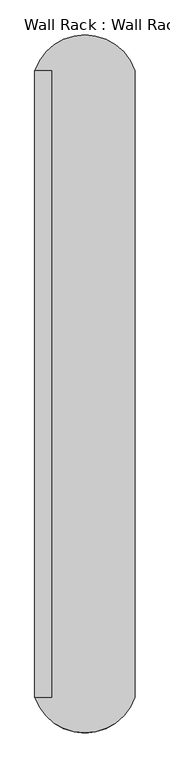
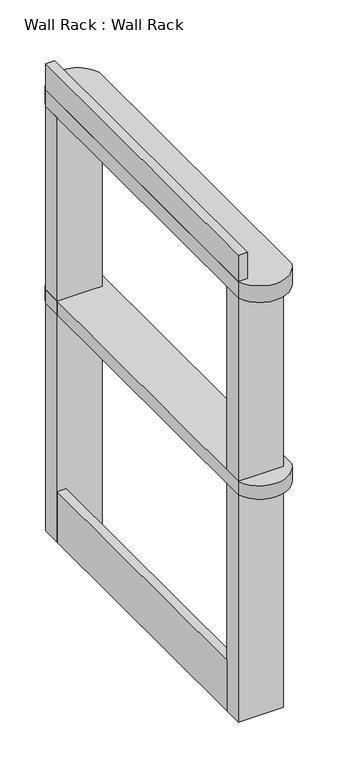
"""IFC4 building model written with IfcOpenShell, lengths in millimetres: furniture geometry, Wall Rack : Wall Rack."""

from ifc_helpers import new_model, si_unit, point, frame, frame_2d, origin, place, context, project, spatial, polyline, circle_curve, trimmed, segment, composite_curve, outline, extrude, source, transform, mapped, element, save


def wall_rack_wall_rack_29b57f93(model_context):
    return source(origin(), model_context, "Body", "SweptSolid", [
        extrude(outline(polyline([(-3665.1687143, 3477.8224414), (-3665.1687143, 2359.8062731), (-3698.9153689, 2359.8062731), (-3698.9153689, 3477.8224414), (-3665.1687143, 3477.8224414)])), frame((0.0, 0.0, -0.2943472), z_axis=(0.0, 0.0, 1.0), x_axis=(1.0, 0.0, 0.0)), (0.0, 0.0, 1.0), 202.7920546),
        extrude(outline(polyline([(-3665.1687143, 3553.6062731), (-3665.1687143, 2284.0224414), (-3698.9153689, 2284.0224414), (-3698.9153689, 3553.6062731), (-3665.1687143, 3553.6062731)])), frame((0.0, 0.0, 1770.7747661), z_axis=(0.0, 0.0, 1.0), x_axis=(1.0, 0.0, 0.0)), (0.0, 0.0, 1.0), 106.2252339),
        extrude(outline(composite_curve([segment(trimmed(circle_curve(frame_2d((-3597.3153689, 3518.2546837)), 107.5746014), [point((-3698.9153689, 3553.6062731))], [point((-3495.7153689, 3553.6062731))], False, "CARTESIAN"), True, "CONTINUOUS"), segment(polyline([(-3495.7153689, 3553.6062731), (-3495.7153689, 2284.0224414)]), True, "CONTINUOUS"), segment(trimmed(circle_curve(frame_2d((-3597.3153689, 2319.3740307)), 107.5746014), [point((-3495.7153689, 2284.0224414))], [point((-3698.9153689, 2284.0224414))], False, "CARTESIAN"), True, "CONTINUOUS"), segment(polyline([(-3698.9153689, 2284.0224414), (-3698.9153689, 3553.6062731)]), True, "CONTINUOUS")], self_intersect=False)), frame((0.0, 0.0, 914.1056528), z_axis=(0.0, 0.0, 1.0), x_axis=(1.0, 0.0, 0.0)), (0.0, 0.0, 1.0), 53.6402918),
        extrude(outline(composite_curve([segment(trimmed(circle_curve(frame_2d((-3597.3153689, 3518.2546837)), 107.5746014), [point((-3698.9153689, 3553.6062731))], [point((-3495.7153689, 3553.6062731))], False, "CARTESIAN"), True, "CONTINUOUS"), segment(polyline([(-3495.7153689, 3553.6062731), (-3495.7153689, 2284.0224414)]), True, "CONTINUOUS"), segment(trimmed(circle_curve(frame_2d((-3597.3153689, 2319.3740307)), 107.5746014), [point((-3495.7153689, 2284.0224414))], [point((-3698.9153689, 2284.0224414))], False, "CARTESIAN"), True, "CONTINUOUS"), segment(polyline([(-3698.9153689, 2284.0224414), (-3698.9153689, 3553.6062731)]), True, "CONTINUOUS")], self_intersect=False)), frame((0.0, 0.0, 1704.7903507), z_axis=(0.0, 0.0, 1.0), x_axis=(1.0, 0.0, 0.0)), (0.0, 0.0, 1.0), 65.9844154),
        extrude(outline(polyline([(-3528.4599022, 2359.8062731), (-3528.4599022, 2284.0224414), (-3698.9153689, 2284.0224414), (-3698.9153689, 2359.8062731), (-3528.4599022, 2359.8062731)])), frame((0.0, 0.0, -0.2943472), z_axis=(0.0, 0.0, 1.0), x_axis=(1.0, 0.0, 0.0)), (0.0, 0.0, 1.0), 1705.084698),
        extrude(outline(polyline([(-3528.4599022, 3553.6062731), (-3528.4599022, 3477.8224414), (-3698.9153689, 3477.8224414), (-3698.9153689, 3553.6062731), (-3528.4599022, 3553.6062731)])), frame((0.0, 0.0, -0.2943472), z_axis=(0.0, 0.0, 1.0), x_axis=(1.0, 0.0, 0.0)), (0.0, 0.0, 1.0), 1705.084698),
    ])


if __name__ == "__main__":
    model = new_model("IFC4")
    model_context = context("Model", 3, world=origin())
    ifc_project = project(units=[si_unit("LENGTHUNIT", "METRE", prefix="MILLI")], contexts=[model_context])
    site = spatial("IfcSite", under=ifc_project)
    building = spatial("IfcBuilding", under=site)
    placement = place(None, origin())
    wall_rack_wall_rack_shape = wall_rack_wall_rack_29b57f93(model_context)
    element("IfcFurniture", 1, ObjectType="Wall Rack : Wall Rack", at=placement, inside=building, context=model_context, shape_type="MappedRepresentation", body=[
        mapped(wall_rack_wall_rack_shape, transform((0.0, 0.0, 0.0), x_axis=(1.0, 0.0, 0.0), y_axis=(0.0, 1.0, 0.0), z_axis=(0.0, 0.0, 1.0))),
    ])
    save(model, "model.ifc")
